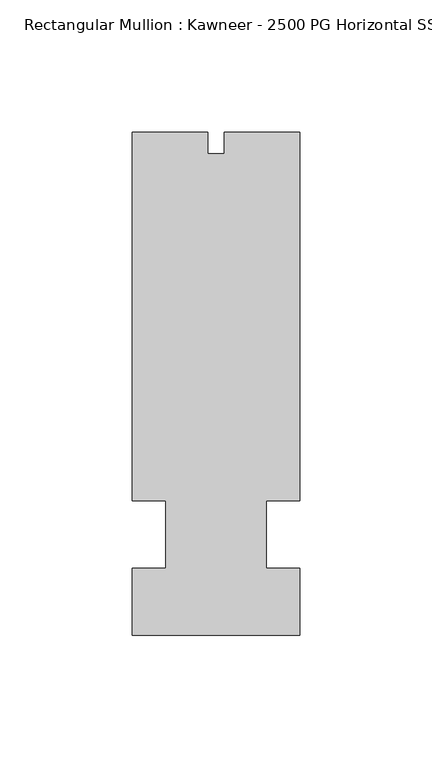
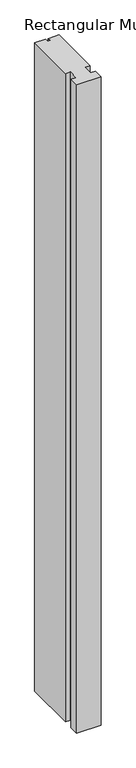
"""IFC4 building model written with IfcOpenShell, lengths in millimetres: member geometry, Rectangular Mullion : Kawneer - 2500 PG Horizontal SSG - Mullion_Vertical."""

import ifcopenshell
import ifcopenshell.guid

model = None  # the IFC model being written
_history = None  # IfcOwnerHistory: only IFC2X3 demands one
_inside = {}  # id of a spatial element -> (the spatial element, [elements in it])
_under = {}  # id of a project, library or spatial element -> (it, [spatial elements below it])
_declared = {}  # id of a project -> (the project, [libraries it declares])
_typed = {}  # id of a type object -> (the type object, [elements of that type])
_made_of = {}  # id of a material, layer set ... -> (it, [elements and type objects made of it])


def new_model(schema):
    """Start an empty IFC model of exactly this schema.

    Asked for "IFC4X3", IfcOpenShell would pick the latest addendum, in which some entities
    have other attributes; the version numbers below select the first issue.
    IFC2X3 requires an IfcOwnerHistory on every rooted entity: one is made here for all.
    """
    global model, _history
    if schema == "IFC4X3":
        model = ifcopenshell.file(schema_version=(4, 3, 0, 0))
    else:
        model = ifcopenshell.file(schema=schema)
    _inside.clear()
    _under.clear()
    _declared.clear()
    _typed.clear()
    _made_of.clear()
    _history = None
    if model.schema == "IFC2X3":
        org = make("IfcOrganization", Name="unknown")
        user = make(
            "IfcPersonAndOrganization",
            ThePerson=make("IfcPerson", FamilyName="unknown"),
            TheOrganization=org,
        )
        app = make(
            "IfcApplication",
            ApplicationDeveloper=org,
            Version="unknown",
            ApplicationFullName="unknown",
            ApplicationIdentifier="unknown",
        )
        _history = make(
            "IfcOwnerHistory",
            OwningUser=user,
            OwningApplication=app,
            ChangeAction="ADDED",
            CreationDate=0,
        )
    return model


def make(cls, **values):
    """One entity of the class cls with the attributes given. An attribute that is None is left unset."""
    return model.create_entity(
        cls, **{name: value for name, value in values.items() if value is not None}
    )


def rooted(cls, **values):
    """An entity with a GlobalId (a new one), such as an element, a storey or a relation."""
    return make(cls, GlobalId=ifcopenshell.guid.new(), OwnerHistory=_history, **values)


def si_unit(unit_type, name, prefix=None):
    """IfcSIUnit, for example si_unit("LENGTHUNIT", "METRE", prefix="MILLI")."""
    return make("IfcSIUnit", UnitType=unit_type, Prefix=prefix, Name=name)


def assignment(units):
    """IfcUnitAssignment: the units of a project."""
    return None if units is None else make("IfcUnitAssignment", Units=units)


def point(xyz):
    """IfcCartesianPoint."""
    return None if xyz is None else make("IfcCartesianPoint", Coordinates=xyz)


def direction(xyz):
    """IfcDirection."""
    return None if xyz is None else make("IfcDirection", DirectionRatios=xyz)


def frame(location, z_axis=None, x_axis=None):
    """IfcAxis2Placement3D, a coordinate frame: its origin and axes. An axis left out is left unset."""
    return make(
        "IfcAxis2Placement3D",
        Location=point(location),
        Axis=direction(z_axis),
        RefDirection=direction(x_axis),
    )


def origin():
    """The frame at (0, 0, 0) with its axes left unset."""
    return frame((0.0, 0.0, 0.0))


def place(relative_to, where):
    """IfcLocalPlacement: puts the frame where relative to a parent placement (None: the world)."""
    return make(
        "IfcLocalPlacement", PlacementRelTo=relative_to, RelativePlacement=where
    )


def context(
    kind, dimensions, precision=None, world=None, true_north=None, identifier=None
):
    """IfcGeometricRepresentationContext, for example the 3D "Model" context."""
    return make(
        "IfcGeometricRepresentationContext",
        ContextIdentifier=identifier,
        ContextType=kind,
        CoordinateSpaceDimension=dimensions,
        Precision=precision,
        WorldCoordinateSystem=world,
        TrueNorth=true_north,
    )


def project(units=None, contexts=None):
    """IfcProject with its units and contexts."""
    return rooted(
        "IfcProject",
        Name="project",
        RepresentationContexts=contexts,
        UnitsInContext=assignment(units),
    )


def spatial(cls, under=None, at=None, **own):
    """A site, building, storey or space (cls), placed at a placement, below another one or the project."""
    s = rooted(cls, ObjectPlacement=at, **own)
    if under is not None:
        _under.setdefault(under.id(), (under, []))[1].append(s)
    return s


def polyline(points):
    """IfcPolyline through the points."""
    return make("IfcPolyline", Points=[point(p) for p in points])


def outline(outer, holes=None, kind="AREA"):
    """IfcArbitraryClosedProfileDef: a profile drawn as a closed curve; with holes, ...WithVoids."""
    if holes is None:
        return make("IfcArbitraryClosedProfileDef", ProfileType=kind, OuterCurve=outer)
    return make(
        "IfcArbitraryProfileDefWithVoids",
        ProfileType=kind,
        OuterCurve=outer,
        InnerCurves=holes,
    )


def extrude(swept, where, along, depth):
    """IfcExtrudedAreaSolid: the profile swept, set in the frame where, extruded along a direction by depth."""
    return make(
        "IfcExtrudedAreaSolid",
        SweptArea=swept,
        Position=where,
        ExtrudedDirection=direction(along),
        Depth=depth,
    )


def shape(context_of_items, identifier, shape_type, items):
    """IfcShapeRepresentation: the items that make up one representation, for example the "Body"."""
    return make(
        "IfcShapeRepresentation",
        ContextOfItems=context_of_items,
        RepresentationIdentifier=identifier,
        RepresentationType=shape_type,
        Items=items,
    )


def source(mapping_origin, context_of_items, identifier, shape_type, items):
    """IfcRepresentationMap: a shape defined once, which mapped items show again and again."""
    return make(
        "IfcRepresentationMap",
        MappingOrigin=mapping_origin,
        MappedRepresentation=shape(context_of_items, identifier, shape_type, items),
    )


def transform(
    local_origin,
    x_axis=None,
    y_axis=None,
    z_axis=None,
    scale=None,
    scale2=None,
    scale3=None,
    uniform=True,
):
    """IfcCartesianTransformationOperator3D, or its non-uniform kind. x_axis, y_axis, z_axis: its Axis1, 2, 3."""
    if uniform:
        return make(
            "IfcCartesianTransformationOperator3D",
            Axis1=direction(x_axis),
            Axis2=direction(y_axis),
            LocalOrigin=point(local_origin),
            Scale=scale,
            Axis3=direction(z_axis),
        )
    return make(
        "IfcCartesianTransformationOperator3DnonUniform",
        Axis1=direction(x_axis),
        Axis2=direction(y_axis),
        LocalOrigin=point(local_origin),
        Scale=scale,
        Axis3=direction(z_axis),
        Scale2=scale2,
        Scale3=scale3,
    )


def mapped(mapping_source, mapping_target):
    """IfcMappedItem: shows the shape of a source again, moved by a transform."""
    return make(
        "IfcMappedItem", MappingSource=mapping_source, MappingTarget=mapping_target
    )


def made_of(thing, what):
    """Note that an element or type object is made of a material, layer set ...; save() writes the relation."""
    if what is not None:
        _made_of.setdefault(what.id(), (what, []))[1].append(thing)
    return thing


def element(
    cls,
    number,
    at=None,
    inside=None,
    cuts=None,
    type_object=None,
    material=None,
    context=None,
    identifier="Body",
    shape_type=None,
    held_by="IfcProductDefinitionShape",
    body=None,
    shapes=None,
    **own,
):
    """One element of the class cls, such as IfcWall. Its Tag is "e" and its number.

    at: its placement. inside: the storey or other place that contains it. cuts: it is an
    opening in that element (IfcRelVoidsElement). A single representation is given by context,
    identifier, shape_type and body (its items); several are given by shapes. held_by: the class
    of the entity that holds the representations. save() writes the other relations.
    """
    e = rooted(cls, Tag="e%d" % number, ObjectPlacement=at, **own)
    if body is not None:
        shapes = [shape(context, identifier, shape_type, body)]
    if shapes is not None:
        e.Representation = make(held_by, Representations=shapes)
    if inside is not None:
        _inside.setdefault(inside.id(), (inside, []))[1].append(e)
    if cuts is not None:
        rooted(
            "IfcRelVoidsElement", RelatingBuildingElement=cuts, RelatedOpeningElement=e
        )
    if type_object is not None:
        _typed.setdefault(type_object.id(), (type_object, []))[1].append(e)
    return made_of(e, material)


def aggregate(whole, parts):
    """IfcRelAggregates: a whole, such as a stair, and the parts it consists of."""
    return rooted("IfcRelAggregates", RelatingObject=whole, RelatedObjects=parts)


def save(model, path):
    """Write the relations noted so far, then the file.

    IfcRelAggregates (storeys below a building ...), IfcRelContainedInSpatialStructure (elements
    in a storey), IfcRelDefinesByType, IfcRelAssociatesMaterial and IfcRelDeclares: one each for
    every whole, place, type object, material and project.
    """
    for whole, parts in _under.values():
        aggregate(whole, parts)
    for where, things in _inside.values():
        rooted(
            "IfcRelContainedInSpatialStructure",
            RelatedElements=things,
            RelatingStructure=where,
        )
    for kind, things in _typed.values():
        rooted("IfcRelDefinesByType", RelatedObjects=things, RelatingType=kind)
    for what, things in _made_of.values():
        rooted("IfcRelAssociatesMaterial", RelatedObjects=things, RelatingMaterial=what)
    for by, libraries in _declared.values():
        rooted("IfcRelDeclares", RelatingContext=by, RelatedDefinitions=libraries)
    model.write(path)


def rectangular_mullion_kawneer_2500_pg_horizontal_ssg_mullion_6ce1fadf(model_context):
    return source(origin(), model_context, "Body", "SweptSolid", [
        extrude(outline(polyline([(-31.75, -95.25), (-31.75, -69.85), (-19.0527628, -69.85), (-19.0527628, -44.45), (-31.75, -44.45), (-31.75, 95.25), (-3.175, 95.25), (-3.175, 86.9442), (3.175, 86.9442), (3.175, 95.25), (31.75, 95.25), (31.75, -44.45), (19.05, -44.45), (19.05, -69.85), (31.75, -69.85), (31.75, -95.25), (-31.75, -95.25)])), frame((0.0, 0.0, -1793.4600657), z_axis=(0.0, 0.0, 1.0), x_axis=(1.0, 0.0, 0.0)), (0.0, 0.0, 1.0), 1793.4600657),
    ])


if __name__ == "__main__":
    model = new_model("IFC4")
    model_context = context("Model", 3, world=origin())
    ifc_project = project(units=[si_unit("LENGTHUNIT", "METRE", prefix="MILLI")], contexts=[model_context])
    site = spatial("IfcSite", under=ifc_project)
    building = spatial("IfcBuilding", under=site)
    placement = place(None, origin())
    rectangular_mullion_kawneer_2500_pg_horizontal_ssg_mullion_shape = rectangular_mullion_kawneer_2500_pg_horizontal_ssg_mullion_6ce1fadf(model_context)
    element("IfcMember", 1, ObjectType="Rectangular Mullion : Kawneer - 2500 PG Horizontal SSG - Mullion_Vertical", at=placement, inside=building, context=model_context, shape_type="MappedRepresentation", body=[
        mapped(rectangular_mullion_kawneer_2500_pg_horizontal_ssg_mullion_shape, transform((0.0, 0.0, 0.0), x_axis=(1.0, 0.0, 0.0), y_axis=(0.0, 1.0, 0.0), z_axis=(0.0, 0.0, 1.0))),
    ])
    save(model, "model.ifc")
